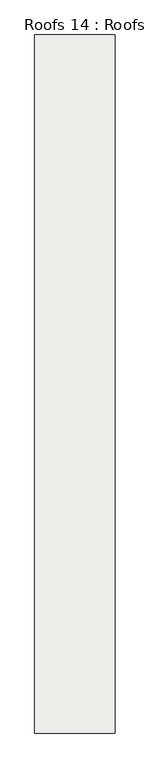
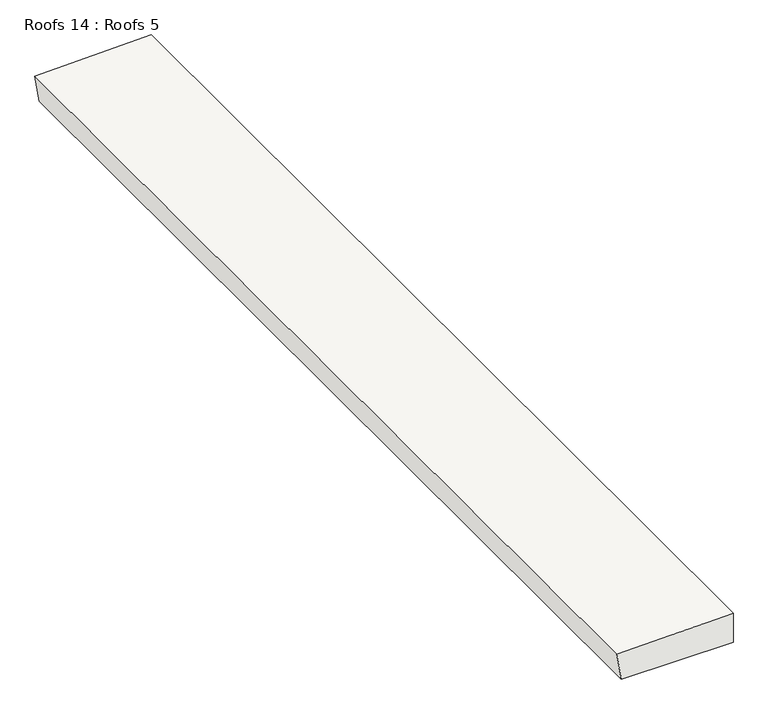
"""IFC4 building model written with IfcOpenShell, lengths in millimetres: roof geometry, Roofs 14 : Roofs 5."""

from ifc_helpers import new_model, si_unit, frame, origin, place, context, project, spatial, polyline, outline, extrude, source, transform, mapped, element, save


def roofs_14_roofs_5_f6a1a82f(model_context):
    return source(origin(), model_context, "Body", "SweptSolid", [
        extrude(outline(polyline([(-2128.9943927, -12602.1969605), (-2023.4056395, -12602.1969605), (-2033.996468, -13000.7081261), (-2128.9943927, -12985.661933), (-2128.9943927, -12602.1969605)])), frame((0.0, -9236.6811541, 0.0), z_axis=(0.0, 1.0, 0.0), x_axis=(0.0, 0.0, 1.0)), (0.0, 0.0, 1.0), 3454.4),
    ])


if __name__ == "__main__":
    model = new_model("IFC4")
    model_context = context("Model", 3, world=origin())
    ifc_project = project(units=[si_unit("LENGTHUNIT", "METRE", prefix="MILLI")], contexts=[model_context])
    site = spatial("IfcSite", under=ifc_project)
    building = spatial("IfcBuilding", under=site)
    placement = place(None, origin())
    roofs_14_roofs_5_shape = roofs_14_roofs_5_f6a1a82f(model_context)
    element("IfcRoof", 1, ObjectType="Roofs 14 : Roofs 5", at=placement, inside=building, context=model_context, shape_type="MappedRepresentation", body=[
        mapped(roofs_14_roofs_5_shape, transform((0.0, 0.0, 0.0), x_axis=(1.0, 0.0, 0.0), y_axis=(0.0, 1.0, 0.0), z_axis=(0.0, 0.0, 1.0))),
    ])
    save(model, "model.ifc")
